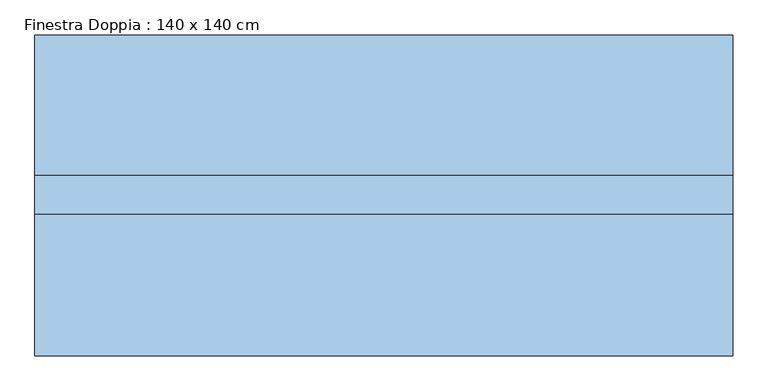
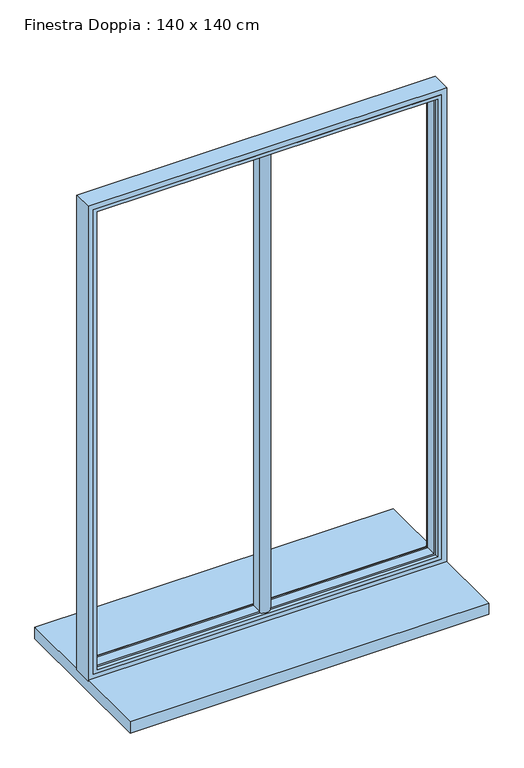
"""IFC4 building model written with IfcOpenShell, lengths in millimetres: window geometry, Finestra Doppia : 140 x 140 cm."""

from ifc_helpers import new_model, si_unit, point, frame, frame_2d, origin, place, context, project, spatial, polyline, circle_curve, ellipse_curve, trimmed, segment, composite_curve, outline, extrude, faceted_brep, source, transform, mapped, element, save
from ifc_brep_helpers import plane_surface, cylinder_surface, advanced_brep


def finestra_doppia_140_x_140_cm_0ec2bb6c(model_context):
    return source(origin(), model_context, "Body", "SolidModel", [
        extrude(outline(composite_curve([segment(polyline([(-15.0, -10.0), (-15.0, 20.0)]), True, "CONTINUOUS"), segment(trimmed(circle_curve(frame_2d((0.0, 7.0384974)), 19.8242415), [point((-15.0, 20.0))], [point((15.0, 20.0))], False, "CARTESIAN"), True, "CONTINUOUS"), segment(polyline([(15.0, 20.0), (15.0, -10.0)]), True, "CONTINUOUS"), segment(trimmed(circle_curve(frame_2d((0.0, 5.6850663)), 21.7030253), [point((15.0, -10.0))], [point((-15.0, -10.0))], False, "CARTESIAN"), True, "CONTINUOUS")], self_intersect=False)), frame((0.0, 0.0, 800.0), z_axis=(0.0, 0.0, 1.0), x_axis=(1.0, 0.0, 0.0)), (0.0, 0.0, 1.0), 1375.0349779),
        faceted_brep([(-485.0, -20.0, 2185.0349779), (-485.0, 20.0, 2185.0349779), (-485.0, 20.0, 815.0), (-485.0, -20.0, 815.0), (485.0, 20.0, 2185.0349779), (485.0, 20.0, 815.0), (-470.0, 20.0, 2170.0349779), (-470.0, 20.0, 830.0), (470.0, 20.0, 830.0), (470.0, 20.0, 2170.0349779), (485.0, -20.0, 815.0), (485.0, -20.0, 2185.0349779), (475.0, -20.0, 2175.0349779), (475.0, -20.0, 825.0), (-475.0, -20.0, 825.0), (-475.0, -20.0, 2175.0349779), (-475.0, -10.0, 2175.0349779), (-475.0, -10.0, 825.0), (475.0, -10.0, 825.0), (475.0, -10.0, 2175.0349779), (470.0, -10.0, 2170.0349779), (470.0, -10.0, 830.0), (-470.0, -10.0, 830.0), (-470.0, -10.0, 2170.0349779)], [[[0, 1, 2, 3]], [[4, 5, 2, 1], [6, 7, 8, 9]], [[3, 2, 5, 10]], [[0, 3, 10, 11], [12, 13, 14, 15]], [[16, 15, 14, 17]], [[17, 14, 13, 18]], [[16, 17, 18, 19], [20, 21, 22, 23]], [[6, 23, 22, 7]], [[7, 22, 21, 8]], [[10, 5, 4, 11]], [[18, 13, 12, 19]], [[8, 21, 20, 9]], [[11, 4, 1, 0]], [[19, 12, 15, 16]], [[9, 20, 23, 6]]]),
        advanced_brep(
        [(-500.0, 35.0, 2200.0), (-500.0, 35.0, 800.0), (-500.0, -20.0, 800.0), (-500.0, -20.0, 2200.0), (500.0, 35.0, 2200.0), (500.0, 35.0, 800.0), (-480.0, 35.0, 820.0), (480.0, 35.0, 820.0), (480.0, 35.0, 2180.0), (-480.0, 35.0, 2180.0), (500.0, -20.0, 800.0), (500.0, -20.0, 2200.0), (-485.0, -20.0, 2185.0), (485.0, -20.0, 2185.0), (485.0, -20.0, 815.0), (-485.0, -20.0, 815.0), (-485.0, 20.0, 2185.0), (-485.0, 20.0, 815.0), (485.0, 20.0, 815.0), (485.0, 20.0, 2185.0), (-475.0, 20.0, 2175.0), (475.0, 20.0, 2175.0), (475.0, 20.0, 825.0), (-475.0, 20.0, 825.0), (-475.0, 30.0, 2175.0), (-475.0, 30.0, 825.0), (475.0, 30.0, 825.0), (475.0, 30.0, 2175.0)],
        [
            (0, 1),
            (1, 2),
            (2, 3),
            (3, 0),
            (0, 4),
            (4, 5),
            (5, 1),
            (6, 7),
            (7, 8),
            (8, 9),
            (9, 6),
            (5, 10),
            (10, 2),
            (10, 11),
            (11, 3),
            (12, 13),
            (13, 14),
            (14, 15),
            (15, 12),
            (16, 12),
            (15, 17),
            (17, 16),
            (14, 18),
            (18, 17),
            (18, 19),
            (19, 16),
            (20, 21),
            (21, 22),
            (22, 23),
            (23, 20),
            (24, 20),
            (23, 25),
            (25, 24),
            (22, 26),
            (26, 25),
            (9, 24, ellipse_curve(frame((-480.0, 30.0, 2180.0), z_axis=(-0.7071067811865475, 0.0, -0.7071067811865475), x_axis=(-0.7071067811865474, 0.0, 0.7071067811865476)), 7.0710678, 5.0)),
            (25, 6, ellipse_curve(frame((-480.0, 30.0, 820.0), z_axis=(-0.7071067811865475, 0.0, 0.7071067811865475), x_axis=(0.7071067811865474, 0.0, 0.7071067811865476)), 7.0710678, 5.0)),
            (26, 7, ellipse_curve(frame((480.0, 30.0, 820.0), z_axis=(-0.7071067811865475, 0.0, -0.7071067811865475), x_axis=(-0.7071067811865476, 0.0, 0.7071067811865474)), 7.0710678, 5.0)),
            (4, 11),
            (13, 19),
            (21, 27),
            (27, 26),
            (27, 8, ellipse_curve(frame((480.0, 30.0, 2180.0), z_axis=(0.7071067811865475, 0.0, -0.7071067811865475), x_axis=(-0.7071067811865474, 0.0, -0.7071067811865476)), 7.0710678, 5.0)),
            (24, 27),
        ],
        [
            plane_surface(frame((-500.0, 0.0, 2200.0), z_axis=(-1.0, 0.0, 0.0), x_axis=(0.0, 0.0, -1.0))),
            plane_surface(frame((480.0, 35.0, 2180.0), z_axis=(0.0, 1.0, 0.0), x_axis=(-1.0, 0.0, 0.0))),
            plane_surface(frame((-500.0, 0.0, 800.0), z_axis=(0.0, 0.0, -1.0), x_axis=(1.0, 0.0, 0.0))),
            plane_surface(frame((500.0, -20.0, 2200.0), z_axis=(0.0, -1.0, 0.0), x_axis=(-1.0, 0.0, 0.0))),
            plane_surface(frame((-485.0, -20.0, 2185.0), z_axis=(1.0, 0.0, 0.0), x_axis=(0.0, 0.0, -1.0))),
            plane_surface(frame((-485.0, -20.0, 815.0), z_axis=(0.0, 0.0, 1.0), x_axis=(1.0, 0.0, 0.0))),
            plane_surface(frame((485.0, 20.0, 2185.0), z_axis=(0.0, -1.0, 0.0), x_axis=(-1.0, 0.0, 0.0))),
            plane_surface(frame((-475.0, 20.0, 2175.0), z_axis=(1.0, 0.0, 0.0), x_axis=(0.0, 0.0, -1.0))),
            plane_surface(frame((-475.0, 20.0, 825.0), z_axis=(0.0, 0.0, 1.0), x_axis=(1.0, 0.0, 0.0))),
            cylinder_surface(frame((-480.0, 30.0, 2200.0), z_axis=(0.0, 0.0, 1.0), x_axis=(1.0, 0.0, 0.0)), 5.0),
            cylinder_surface(frame((-500.0, 30.0, 820.0), z_axis=(-1.0, 0.0, 0.0), x_axis=(0.0, 0.0, 1.0)), 5.0),
            plane_surface(frame((500.0, 0.0, 800.0), z_axis=(1.0, 0.0, 0.0), x_axis=(0.0, 0.0, 1.0))),
            plane_surface(frame((485.0, -20.0, 815.0), z_axis=(-1.0, 0.0, 0.0), x_axis=(0.0, 0.0, 1.0))),
            plane_surface(frame((475.0, 20.0, 825.0), z_axis=(-1.0, 0.0, 0.0), x_axis=(0.0, 0.0, 1.0))),
            cylinder_surface(frame((480.0, 30.0, 800.0), z_axis=(0.0, 0.0, -1.0), x_axis=(-1.0, 0.0, 0.0)), 5.0),
            plane_surface(frame((500.0, 0.0, 2200.0), z_axis=(0.0, 0.0, 1.0), x_axis=(-1.0, 0.0, 0.0))),
            plane_surface(frame((485.0, -20.0, 2185.0), z_axis=(0.0, 0.0, -1.0), x_axis=(-1.0, 0.0, 0.0))),
            plane_surface(frame((475.0, 20.0, 2175.0), z_axis=(0.0, 0.0, -1.0), x_axis=(-1.0, 0.0, 0.0))),
            cylinder_surface(frame((500.0, 30.0, 2180.0), z_axis=(1.0, 0.0, 0.0), x_axis=(0.0, 0.0, -1.0)), 5.0),
        ],
        [
            (0, [[1, 2, 3, 4]]),
            (1, [[5, 6, 7, -1], [8, 9, 10, 11]]),
            (2, [[-2, -7, 12, 13]]),
            (3, [[-13, 14, 15, -3], [16, 17, 18, 19]]),
            (4, [[20, -19, 21, 22]]),
            (5, [[-21, -18, 23, 24]]),
            (6, [[-24, 25, 26, -22], [27, 28, 29, 30]]),
            (7, [[31, -30, 32, 33]]),
            (8, [[-32, -29, 34, 35]]),
            (9, [[36, -33, 37, -11]]),
            (10, [[-37, -35, 38, -8]]),
            (11, [[-12, -6, 39, -14]]),
            (12, [[-23, -17, 40, -25]]),
            (13, [[-34, -28, 41, 42]]),
            (14, [[-38, -42, 43, -9]]),
            (15, [[-39, -5, -4, -15]]),
            (16, [[-40, -16, -20, -26]]),
            (17, [[-41, -27, -31, 44]]),
            (18, [[-43, -44, -36, -10]]),
        ],
    ),
        extrude(outline(polyline([(500.0, -223.1372612), (-500.0, -223.1372612), (-500.0, 236.8627389), (500.0, 236.8627389), (500.0, -223.1372612)])), frame((0.0, 0.0, 770.0), z_axis=(0.0, 0.0, 1.0), x_axis=(1.0, 0.0, 0.0)), (0.0, 0.0, 1.0), 33.0),
    ])


if __name__ == "__main__":
    model = new_model("IFC4")
    model_context = context("Model", 3, world=origin())
    ifc_project = project(units=[si_unit("LENGTHUNIT", "METRE", prefix="MILLI")], contexts=[model_context])
    site = spatial("IfcSite", under=ifc_project)
    building = spatial("IfcBuilding", under=site)
    placement = place(None, origin())
    finestra_doppia_140_x_140_cm_shape = finestra_doppia_140_x_140_cm_0ec2bb6c(model_context)
    element("IfcWindow", 1, ObjectType="Finestra Doppia : 140 x 140 cm", at=placement, inside=building, context=model_context, shape_type="MappedRepresentation", body=[
        mapped(finestra_doppia_140_x_140_cm_shape, transform((0.0, 0.0, 0.0), x_axis=(1.0, 0.0, 0.0), y_axis=(0.0, 1.0, 0.0), z_axis=(0.0, 0.0, 1.0))),
    ])
    save(model, "model.ifc")
